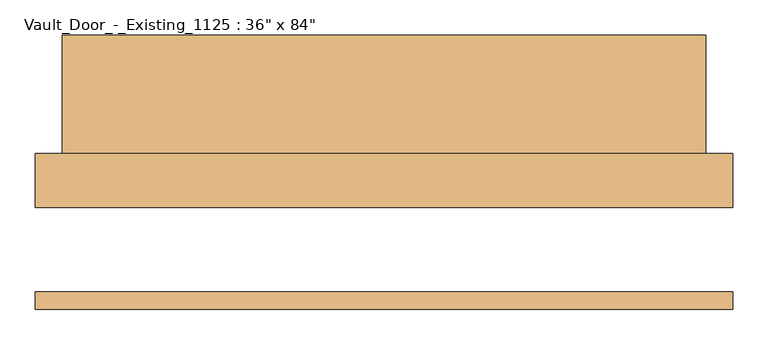
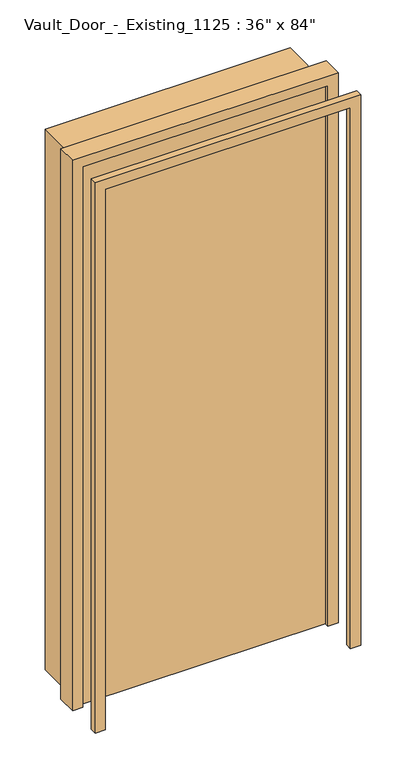
"""IFC4 building model written with IfcOpenShell, lengths in millimetres: door geometry."""

import ifcopenshell
import ifcopenshell.guid

model = None  # the IFC model being written
_history = None  # IfcOwnerHistory: only IFC2X3 demands one
_inside = {}  # id of a spatial element -> (the spatial element, [elements in it])
_under = {}  # id of a project, library or spatial element -> (it, [spatial elements below it])
_declared = {}  # id of a project -> (the project, [libraries it declares])
_typed = {}  # id of a type object -> (the type object, [elements of that type])
_made_of = {}  # id of a material, layer set ... -> (it, [elements and type objects made of it])


def new_model(schema):
    """Start an empty IFC model of exactly this schema.

    Asked for "IFC4X3", IfcOpenShell would pick the latest addendum, in which some entities
    have other attributes; the version numbers below select the first issue.
    IFC2X3 requires an IfcOwnerHistory on every rooted entity: one is made here for all.
    """
    global model, _history
    if schema == "IFC4X3":
        model = ifcopenshell.file(schema_version=(4, 3, 0, 0))
    else:
        model = ifcopenshell.file(schema=schema)
    _inside.clear()
    _under.clear()
    _declared.clear()
    _typed.clear()
    _made_of.clear()
    _history = None
    if model.schema == "IFC2X3":
        org = make("IfcOrganization", Name="unknown")
        user = make(
            "IfcPersonAndOrganization",
            ThePerson=make("IfcPerson", FamilyName="unknown"),
            TheOrganization=org,
        )
        app = make(
            "IfcApplication",
            ApplicationDeveloper=org,
            Version="unknown",
            ApplicationFullName="unknown",
            ApplicationIdentifier="unknown",
        )
        _history = make(
            "IfcOwnerHistory",
            OwningUser=user,
            OwningApplication=app,
            ChangeAction="ADDED",
            CreationDate=0,
        )
    return model


def make(cls, **values):
    """One entity of the class cls with the attributes given. An attribute that is None is left unset."""
    return model.create_entity(
        cls, **{name: value for name, value in values.items() if value is not None}
    )


def rooted(cls, **values):
    """An entity with a GlobalId (a new one), such as an element, a storey or a relation."""
    return make(cls, GlobalId=ifcopenshell.guid.new(), OwnerHistory=_history, **values)


def si_unit(unit_type, name, prefix=None):
    """IfcSIUnit, for example si_unit("LENGTHUNIT", "METRE", prefix="MILLI")."""
    return make("IfcSIUnit", UnitType=unit_type, Prefix=prefix, Name=name)


def assignment(units):
    """IfcUnitAssignment: the units of a project."""
    return None if units is None else make("IfcUnitAssignment", Units=units)


def point(xyz):
    """IfcCartesianPoint."""
    return None if xyz is None else make("IfcCartesianPoint", Coordinates=xyz)


def direction(xyz):
    """IfcDirection."""
    return None if xyz is None else make("IfcDirection", DirectionRatios=xyz)


def frame(location, z_axis=None, x_axis=None):
    """IfcAxis2Placement3D, a coordinate frame: its origin and axes. An axis left out is left unset."""
    return make(
        "IfcAxis2Placement3D",
        Location=point(location),
        Axis=direction(z_axis),
        RefDirection=direction(x_axis),
    )


def origin():
    """The frame at (0, 0, 0) with its axes left unset."""
    return frame((0.0, 0.0, 0.0))


def origin_with_axes():
    """The frame at (0, 0, 0) with the z axis (0, 0, 1) and the x axis (1, 0, 0) written out."""
    return frame((0.0, 0.0, 0.0), z_axis=(0.0, 0.0, 1.0), x_axis=(1.0, 0.0, 0.0))


def place(relative_to, where):
    """IfcLocalPlacement: puts the frame where relative to a parent placement (None: the world)."""
    return make(
        "IfcLocalPlacement", PlacementRelTo=relative_to, RelativePlacement=where
    )


def context(
    kind, dimensions, precision=None, world=None, true_north=None, identifier=None
):
    """IfcGeometricRepresentationContext, for example the 3D "Model" context."""
    return make(
        "IfcGeometricRepresentationContext",
        ContextIdentifier=identifier,
        ContextType=kind,
        CoordinateSpaceDimension=dimensions,
        Precision=precision,
        WorldCoordinateSystem=world,
        TrueNorth=true_north,
    )


def project(units=None, contexts=None):
    """IfcProject with its units and contexts."""
    return rooted(
        "IfcProject",
        Name="project",
        RepresentationContexts=contexts,
        UnitsInContext=assignment(units),
    )


def spatial(cls, under=None, at=None, **own):
    """A site, building, storey or space (cls), placed at a placement, below another one or the project."""
    s = rooted(cls, ObjectPlacement=at, **own)
    if under is not None:
        _under.setdefault(under.id(), (under, []))[1].append(s)
    return s


def polyline(points):
    """IfcPolyline through the points."""
    return make("IfcPolyline", Points=[point(p) for p in points])


def outline(outer, holes=None, kind="AREA"):
    """IfcArbitraryClosedProfileDef: a profile drawn as a closed curve; with holes, ...WithVoids."""
    if holes is None:
        return make("IfcArbitraryClosedProfileDef", ProfileType=kind, OuterCurve=outer)
    return make(
        "IfcArbitraryProfileDefWithVoids",
        ProfileType=kind,
        OuterCurve=outer,
        InnerCurves=holes,
    )


def extrude(swept, where, along, depth):
    """IfcExtrudedAreaSolid: the profile swept, set in the frame where, extruded along a direction by depth."""
    return make(
        "IfcExtrudedAreaSolid",
        SweptArea=swept,
        Position=where,
        ExtrudedDirection=direction(along),
        Depth=depth,
    )


def shape(context_of_items, identifier, shape_type, items):
    """IfcShapeRepresentation: the items that make up one representation, for example the "Body"."""
    return make(
        "IfcShapeRepresentation",
        ContextOfItems=context_of_items,
        RepresentationIdentifier=identifier,
        RepresentationType=shape_type,
        Items=items,
    )


def source(mapping_origin, context_of_items, identifier, shape_type, items):
    """IfcRepresentationMap: a shape defined once, which mapped items show again and again."""
    return make(
        "IfcRepresentationMap",
        MappingOrigin=mapping_origin,
        MappedRepresentation=shape(context_of_items, identifier, shape_type, items),
    )


def transform(
    local_origin,
    x_axis=None,
    y_axis=None,
    z_axis=None,
    scale=None,
    scale2=None,
    scale3=None,
    uniform=True,
):
    """IfcCartesianTransformationOperator3D, or its non-uniform kind. x_axis, y_axis, z_axis: its Axis1, 2, 3."""
    if uniform:
        return make(
            "IfcCartesianTransformationOperator3D",
            Axis1=direction(x_axis),
            Axis2=direction(y_axis),
            LocalOrigin=point(local_origin),
            Scale=scale,
            Axis3=direction(z_axis),
        )
    return make(
        "IfcCartesianTransformationOperator3DnonUniform",
        Axis1=direction(x_axis),
        Axis2=direction(y_axis),
        LocalOrigin=point(local_origin),
        Scale=scale,
        Axis3=direction(z_axis),
        Scale2=scale2,
        Scale3=scale3,
    )


def mapped(mapping_source, mapping_target):
    """IfcMappedItem: shows the shape of a source again, moved by a transform."""
    return make(
        "IfcMappedItem", MappingSource=mapping_source, MappingTarget=mapping_target
    )


def made_of(thing, what):
    """Note that an element or type object is made of a material, layer set ...; save() writes the relation."""
    if what is not None:
        _made_of.setdefault(what.id(), (what, []))[1].append(thing)
    return thing


def element(
    cls,
    number,
    at=None,
    inside=None,
    cuts=None,
    type_object=None,
    material=None,
    context=None,
    identifier="Body",
    shape_type=None,
    held_by="IfcProductDefinitionShape",
    body=None,
    shapes=None,
    **own,
):
    """One element of the class cls, such as IfcWall. Its Tag is "e" and its number.

    at: its placement. inside: the storey or other place that contains it. cuts: it is an
    opening in that element (IfcRelVoidsElement). A single representation is given by context,
    identifier, shape_type and body (its items); several are given by shapes. held_by: the class
    of the entity that holds the representations. save() writes the other relations.
    """
    e = rooted(cls, Tag="e%d" % number, ObjectPlacement=at, **own)
    if body is not None:
        shapes = [shape(context, identifier, shape_type, body)]
    if shapes is not None:
        e.Representation = make(held_by, Representations=shapes)
    if inside is not None:
        _inside.setdefault(inside.id(), (inside, []))[1].append(e)
    if cuts is not None:
        rooted(
            "IfcRelVoidsElement", RelatingBuildingElement=cuts, RelatedOpeningElement=e
        )
    if type_object is not None:
        _typed.setdefault(type_object.id(), (type_object, []))[1].append(e)
    return made_of(e, material)


def aggregate(whole, parts):
    """IfcRelAggregates: a whole, such as a stair, and the parts it consists of."""
    return rooted("IfcRelAggregates", RelatingObject=whole, RelatedObjects=parts)


def save(model, path):
    """Write the relations noted so far, then the file.

    IfcRelAggregates (storeys below a building ...), IfcRelContainedInSpatialStructure (elements
    in a storey), IfcRelDefinesByType, IfcRelAssociatesMaterial and IfcRelDeclares: one each for
    every whole, place, type object, material and project.
    """
    for whole, parts in _under.values():
        aggregate(whole, parts)
    for where, things in _inside.values():
        rooted(
            "IfcRelContainedInSpatialStructure",
            RelatedElements=things,
            RelatingStructure=where,
        )
    for kind, things in _typed.values():
        rooted("IfcRelDefinesByType", RelatedObjects=things, RelatingType=kind)
    for what, things in _made_of.values():
        rooted("IfcRelAssociatesMaterial", RelatedObjects=things, RelatingMaterial=what)
    for by, libraries in _declared.values():
        rooted("IfcRelDeclares", RelatingContext=by, RelatedDefinitions=libraries)
    model.write(path)


def door_e623f996(model_context):
    return source(origin(), model_context, "Body", "SweptSolid", [
        extrude(outline(polyline([(457.2, 76.2), (-457.2, 76.2), (-457.2, 304.8), (457.2, 304.8), (457.2, 76.2)])), origin_with_axes(), (0.0, 0.0, 1.0), 2133.6),
        extrude(outline(polyline([(2171.7, -495.3), (0.0, -495.3), (0.0, -457.2), (2133.6, -457.2), (2133.6, 457.2), (0.0, 457.2), (0.0, 495.3), (2171.7, 495.3), (2171.7, -495.3)])), frame((0.0, 60.0, 0.0), z_axis=(0.0, 1.0, 0.0), x_axis=(0.0, 0.0, 1.0)), (0.0, 0.0, 1.0), 76.2),
        extrude(outline(polyline([(2171.7, 495.3), (2171.7, -495.3), (0.0, -495.3), (0.0, -457.2), (2133.6, -457.2), (2133.6, 457.2), (0.0, 457.2), (0.0, 495.3), (2171.7, 495.3)])), frame((0.0, -85.4, 0.0), z_axis=(0.0, 1.0, 0.0), x_axis=(0.0, 0.0, 1.0)), (0.0, 0.0, 1.0), 25.4),
    ])


if __name__ == "__main__":
    model = new_model("IFC4")
    model_context = context("Model", 3, world=origin())
    ifc_project = project(units=[si_unit("LENGTHUNIT", "METRE", prefix="MILLI")], contexts=[model_context])
    site = spatial("IfcSite", under=ifc_project)
    building = spatial("IfcBuilding", under=site)
    placement = place(None, origin())
    door_shape = door_e623f996(model_context)
    element("IfcDoor", 1, ObjectType="Vault_Door_-_Existing_1125 : 36\" x 84\"", at=placement, inside=building, context=model_context, shape_type="MappedRepresentation", body=[
        mapped(door_shape, transform((0.0, 0.0, 0.0), x_axis=(1.0, 0.0, 0.0), y_axis=(0.0, 1.0, 0.0), z_axis=(0.0, 0.0, 1.0))),
    ])
    save(model, "model.ifc")
